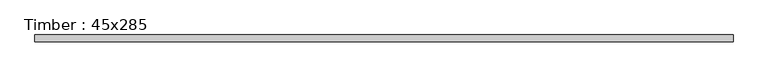
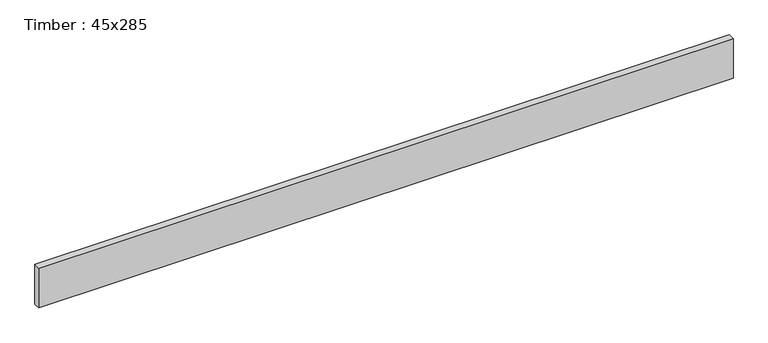
"""IFC4 building model written with IfcOpenShell, lengths in millimetres: beam geometry, Timber : 45x285."""

from ifc_helpers import new_model, si_unit, frame, origin, place, context, project, spatial, polyline, outline, extrude, source, transform, mapped, element, save


def timber_45x285_dbb35665(model_context):
    return source(origin(), model_context, "Body", "SweptSolid", [
        extrude(outline(polyline([(2353.0, 22.5), (2353.0, -22.5), (-2353.0, -22.5), (-2353.0, 22.5), (2353.0, 22.5)])), frame((0.0, 0.0, -142.5), z_axis=(0.0, 0.0, 1.0), x_axis=(1.0, 0.0, 0.0)), (0.0, 0.0, 1.0), 285.0),
    ])


if __name__ == "__main__":
    model = new_model("IFC4")
    model_context = context("Model", 3, world=origin())
    ifc_project = project(units=[si_unit("LENGTHUNIT", "METRE", prefix="MILLI")], contexts=[model_context])
    site = spatial("IfcSite", under=ifc_project)
    building = spatial("IfcBuilding", under=site)
    placement = place(None, origin())
    timber_45x285_shape = timber_45x285_dbb35665(model_context)
    element("IfcBeam", 1, ObjectType="Timber : 45x285", at=placement, inside=building, context=model_context, shape_type="MappedRepresentation", body=[
        mapped(timber_45x285_shape, transform((0.0, 0.0, 0.0), x_axis=(1.0, 0.0, 0.0), y_axis=(0.0, 1.0, 0.0), z_axis=(0.0, 0.0, 1.0))),
    ])
    save(model, "model.ifc")
